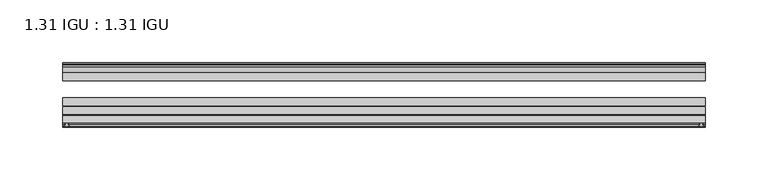
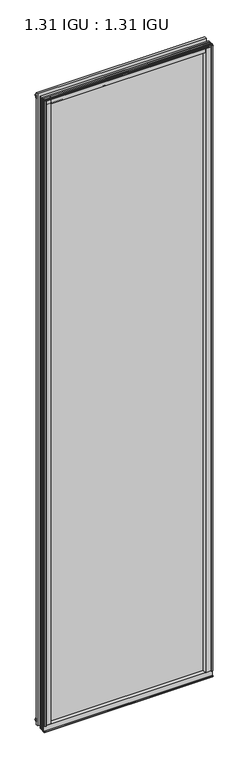
"""IFC4 building model written with IfcOpenShell, lengths in millimetres: plate geometry, 1.31 IGU : 1.31 IGU."""

from ifc_helpers import new_model, si_unit, point, frame, frame_2d, origin, origin_with_axes, place, context, project, spatial, polyline, circle_curve, trimmed, segment, composite_curve, outline, extrude, source, transform, mapped, element, save


def plate_1_31_igu_1_31_igu_3bd44724(model_context):
    return source(origin(), model_context, "Body", "SweptSolid", [
        extrude(outline(composite_curve([segment(polyline([(251.596726, -57.6333938), (235.4119791, -57.6333938)]), True, "CONTINUOUS"), segment(trimmed(circle_curve(frame_2d((228.1172499, -57.6547678)), 7.2947605), [point((235.4119791, -57.6333938))], [point((231.6695905, -51.2833938))], True, "CARTESIAN"), True, "CONTINUOUS"), segment(polyline([(231.6695905, -51.2833938), (254.5400114, -51.2833938)]), True, "CONTINUOUS"), segment(trimmed(circle_curve(frame_2d((254.5400114, -52.0707938)), 0.7874), [point((254.5400114, -51.2833938))], [point((255.3215422, -51.9748338))], False, "CARTESIAN"), True, "CONTINUOUS"), segment(polyline([(255.3215422, -51.9748338), (256.016326, -57.6333938), (254.085926, -57.6333938), (253.628726, -59.624458), (254.6300879, -59.3561439), (254.873326, -60.263921), (252.841326, -60.8083938), (250.809326, -60.263921), (251.0525641, -59.3561439), (252.053926, -59.624458), (251.596726, -57.6333938)]), True, "CONTINUOUS")], self_intersect=False)), origin_with_axes(), (0.0, 0.0, 1.0), 2012.95),
        extrude(outline(composite_curve([segment(polyline([(-235.7096354, -57.6333937), (-251.8943823, -57.6333937), (-252.3515823, -59.624458), (-251.3502204, -59.3561439), (-251.1069823, -60.263921), (-253.1389823, -60.8083937), (-255.1709823, -60.263921), (-254.9277441, -59.3561439), (-253.9263823, -59.624458), (-254.3835823, -57.6333937), (-256.3139823, -57.6333937), (-255.6191985, -51.9748338)]), True, "CONTINUOUS"), segment(trimmed(circle_curve(frame_2d((-254.8376676, -52.0707937)), 0.7874), [point((-255.6191985, -51.9748338))], [point((-254.8376676, -51.2833937))], False, "CARTESIAN"), True, "CONTINUOUS"), segment(polyline([(-254.8376676, -51.2833937), (-231.9672467, -51.2833937)]), True, "CONTINUOUS"), segment(trimmed(circle_curve(frame_2d((-228.4149062, -57.6547678)), 7.2947605), [point((-231.9672467, -51.2833937))], [point((-235.7096354, -57.6333937))], True, "CARTESIAN"), True, "CONTINUOUS")], self_intersect=False)), origin_with_axes(), (0.0, 0.0, 1.0), 2012.95),
        extrude(outline(polyline([(-9.7543937, -6.8579998), (-10.4009552, -9.2709998), (-11.2596632, -9.0409097), (-10.8839895, -7.6388763), (-13.1833937, -8.3819998), (-13.1833937, -11.7850089), (-17.9585937, -10.1533914), (-17.9585937, 0.6595133), (-13.1833937, -0.5079998), (-13.1833937, -5.4609998), (-10.8839895, -6.0771233), (-11.2596632, -4.6750899), (-10.4009552, -4.4449998), (-9.7543937, -6.8579998)])), frame((-256.3471354, 0.0, 0.0), z_axis=(1.0, 0.0, 0.0), x_axis=(0.0, 1.0, 0.0)), (0.0, 0.0, 1.0), 512.3966145),
        extrude(outline(composite_curve([segment(polyline([(-51.9748338, -19.930016), (-57.6333937, -20.6247998), (-57.6333937, -18.6943998), (-59.624458, -18.2371998), (-59.3561439, -19.2385617), (-60.263921, -19.4817998), (-60.8083937, -17.4497998), (-60.263921, -15.4177998), (-59.3561439, -15.6610379), (-59.624458, -16.6623998), (-57.6333937, -16.2051998), (-57.6333937, 0.0127002)]), True, "CONTINUOUS"), segment(trimmed(circle_curve(frame_2d((-58.1588233, 7.9620141)), 7.9666598), [point((-57.6333937, 0.0127002))], [point((-51.2833937, 3.9375717))], True, "CARTESIAN"), True, "CONTINUOUS"), segment(polyline([(-51.2833937, 3.9375717), (-51.2833937, -19.1484852)]), True, "CONTINUOUS"), segment(trimmed(circle_curve(frame_2d((-52.0707937, -19.1484852)), 0.7874), [point((-51.2833937, -19.1484852))], [point((-51.9748338, -19.930016))], False, "CARTESIAN"), True, "CONTINUOUS")], self_intersect=False)), frame((-256.3471354, 0.0, 0.0), z_axis=(1.0, 0.0, 0.0), x_axis=(0.0, 1.0, 0.0)), (0.0, 0.0, 1.0), 512.3966145),
        extrude(outline(polyline([(-17.9585937, 2004.0533914), (-13.1833937, 2005.6850089), (-13.1833937, 2002.2819998), (-10.8839895, 2001.5388763), (-11.2596632, 2002.9409097), (-10.4009552, 2003.1709998), (-9.7543937, 2000.7579998), (-10.4009552, 1998.3449998), (-11.2596632, 1998.5750899), (-10.8839895, 1999.9771233), (-13.1833937, 1999.3609998), (-13.1833937, 1994.4079998), (-17.9585937, 1993.2404867), (-17.9585937, 2004.0533914)])), frame((-256.3471354, 0.0, 0.0), z_axis=(1.0, 0.0, 0.0), x_axis=(0.0, 1.0, 0.0)), (0.0, 0.0, 1.0), 512.3966145),
        extrude(outline(composite_curve([segment(trimmed(circle_curve(frame_2d((-52.0707937, 2013.0484852)), 0.7874), [point((-51.9748338, 2013.830016))], [point((-51.2833937, 2013.0484852))], False, "CARTESIAN"), True, "CONTINUOUS"), segment(polyline([(-51.2833937, 2013.0484852), (-51.2833937, 1989.9624283)]), True, "CONTINUOUS"), segment(trimmed(circle_curve(frame_2d((-58.1588233, 1985.9379859)), 7.9666598), [point((-51.2833937, 1989.9624283))], [point((-57.6333937, 1993.8872998))], True, "CARTESIAN"), True, "CONTINUOUS"), segment(polyline([(-57.6333937, 1993.8872998), (-57.6333937, 2010.1051998), (-59.624458, 2010.5623998), (-59.3561439, 2009.5610379), (-60.263921, 2009.3177998), (-60.8083937, 2011.3497998), (-60.263921, 2013.3817998), (-59.3561439, 2013.1385617), (-59.624458, 2012.1371998), (-57.6333937, 2012.5943998), (-57.6333937, 2014.5247998), (-51.9748338, 2013.830016)]), True, "CONTINUOUS")], self_intersect=False)), frame((-256.3471354, 0.0, 0.0), z_axis=(1.0, 0.0, 0.0), x_axis=(0.0, 1.0, 0.0)), (0.0, 0.0, 1.0), 512.3966145),
        extrude(outline(polyline([(-244.9360116, -10.8839895), (-246.338045, -11.2596632), (-246.5681352, -10.4009552), (-244.1551352, -9.7543937), (-241.7421352, -10.4009552), (-241.9722253, -11.2596632), (-243.3742587, -10.8839895), (-242.7581352, -13.1833937), (-237.8051352, -13.1833937), (-236.637622, -17.9585937), (-247.4505268, -17.9585937), (-249.0821443, -13.1833937), (-245.6791352, -13.1833937), (-244.9360116, -10.8839895)])), origin_with_axes(), (0.0, 0.0, 1.0), 1993.9),
        extrude(outline(polyline([(244.9487118, -10.8839895), (245.6918354, -13.1833937), (249.0948445, -13.1833937), (247.463227, -17.9585937), (236.6503223, -17.9585937), (237.8178354, -13.1833937), (242.7708354, -13.1833937), (243.3869589, -10.8839895), (241.9849255, -11.2596632), (241.7548354, -10.4009552), (244.1678354, -9.7543937), (246.5808354, -10.4009552), (246.3507452, -11.2596632), (244.9487118, -10.8839895)])), origin_with_axes(), (0.0, 0.0, 1.0), 1993.9),
        extrude(outline(polyline([(256.0494791, -17.9585937), (256.0494791, -24.3085937), (-256.3471354, -24.3085937), (-256.3471354, -17.9585937), (256.0494791, -17.9585937)])), frame((0.0, 0.0, -19.0372998), z_axis=(0.0, 0.0, 1.0), x_axis=(1.0, 0.0, 0.0)), (0.0, 0.0, 1.0), 2031.9872998),
        extrude(outline(polyline([(-256.3471354, -44.1459937), (-256.3471354, -37.7959937), (256.0494791, -37.7959937), (256.0494791, -44.1459937), (-256.3471354, -44.1459937)])), frame((0.0, 0.0, -19.0372998), z_axis=(0.0, 0.0, 1.0), x_axis=(1.0, 0.0, 0.0)), (0.0, 0.0, 1.0), 2031.9872998),
        extrude(outline(polyline([(-256.3471354, -51.2833937), (-256.3471354, -44.9333937), (256.0494791, -44.9333937), (256.0494791, -51.2833937), (-256.3471354, -51.2833937)])), frame((0.0, 0.0, -19.0372998), z_axis=(0.0, 0.0, 1.0), x_axis=(1.0, 0.0, 0.0)), (0.0, 0.0, 1.0), 2031.9872998),
    ])


if __name__ == "__main__":
    model = new_model("IFC4")
    model_context = context("Model", 3, world=origin())
    ifc_project = project(units=[si_unit("LENGTHUNIT", "METRE", prefix="MILLI")], contexts=[model_context])
    site = spatial("IfcSite", under=ifc_project)
    building = spatial("IfcBuilding", under=site)
    placement = place(None, origin())
    plate_1_31_igu_1_31_igu_shape = plate_1_31_igu_1_31_igu_3bd44724(model_context)
    element("IfcPlate", 1, ObjectType="1.31 IGU : 1.31 IGU", at=placement, inside=building, context=model_context, shape_type="MappedRepresentation", body=[
        mapped(plate_1_31_igu_1_31_igu_shape, transform((0.0, 0.0, 0.0), x_axis=(1.0, 0.0, 0.0), y_axis=(0.0, 1.0, 0.0), z_axis=(0.0, 0.0, 1.0))),
    ])
    save(model, "model.ifc")
